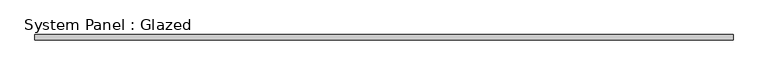
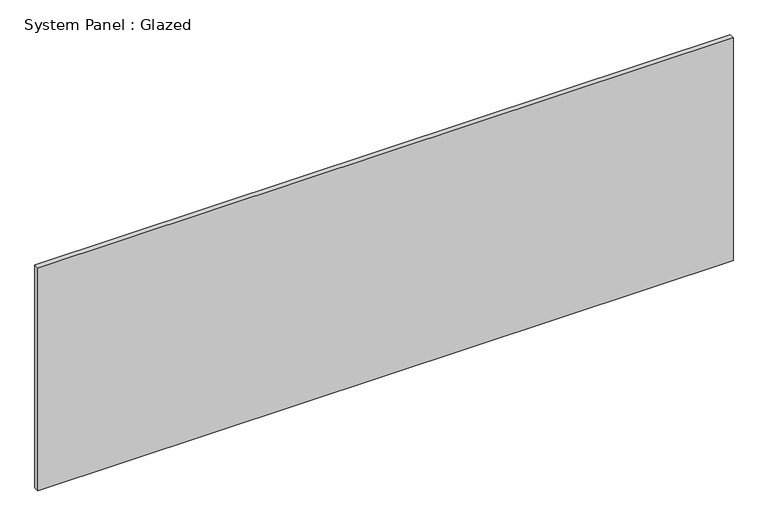
"""IFC4 building model written with IfcOpenShell, lengths in millimetres: plate geometry, System Panel : Glazed."""

from ifc_helpers import new_model, si_unit, origin, origin_with_axes, place, context, project, spatial, polyline, outline, extrude, source, transform, mapped, element, save


def system_panel_glazed_02f233c4(model_context):
    return source(origin(), model_context, "Body", "SweptSolid", [
        extrude(outline(polyline([(1703.4957867, -44.45), (-1703.4957867, -44.45), (-1703.4957867, -19.05), (1703.4957867, -19.05), (1703.4957867, -44.45)])), origin_with_axes(), (0.0, 0.0, 1.0), 1155.7),
    ])


if __name__ == "__main__":
    model = new_model("IFC4")
    model_context = context("Model", 3, world=origin())
    ifc_project = project(units=[si_unit("LENGTHUNIT", "METRE", prefix="MILLI")], contexts=[model_context])
    site = spatial("IfcSite", under=ifc_project)
    building = spatial("IfcBuilding", under=site)
    placement = place(None, origin())
    system_panel_glazed_shape = system_panel_glazed_02f233c4(model_context)
    element("IfcPlate", 1, ObjectType="System Panel : Glazed", at=placement, inside=building, context=model_context, shape_type="MappedRepresentation", body=[
        mapped(system_panel_glazed_shape, transform((0.0, 0.0, 0.0), x_axis=(1.0, 0.0, 0.0), y_axis=(0.0, 1.0, 0.0), z_axis=(0.0, 0.0, 1.0))),
    ])
    save(model, "model.ifc")
